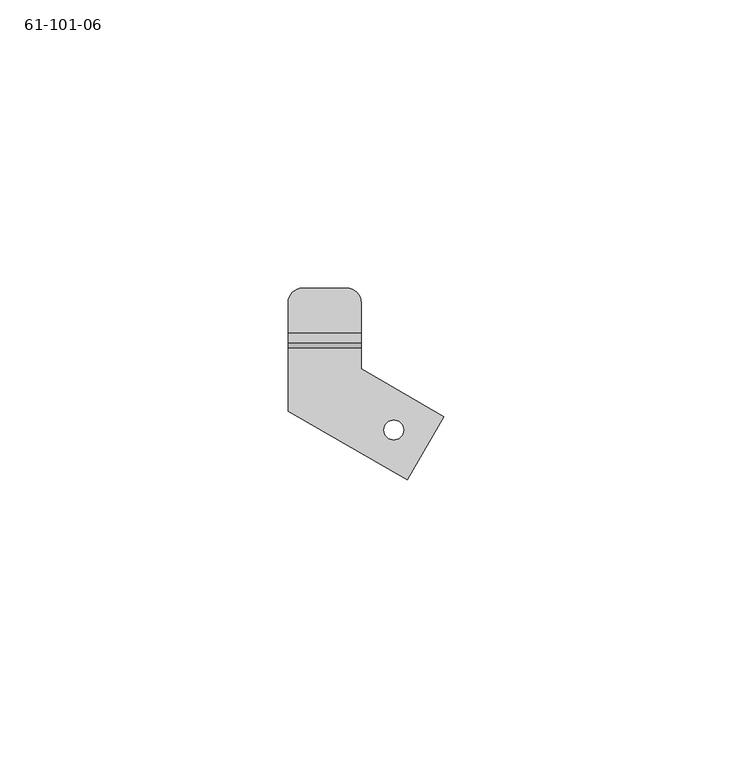
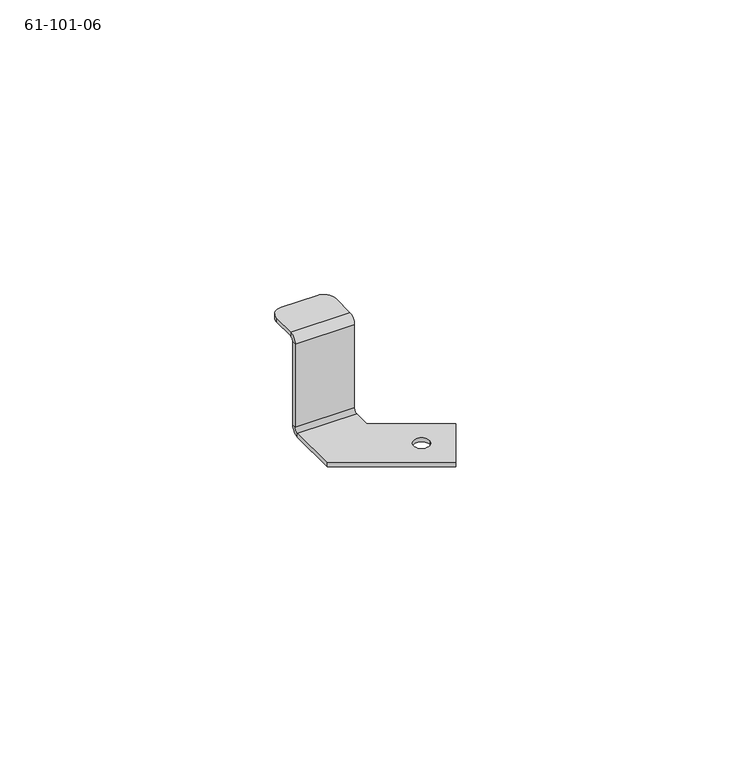
"""IFC4 building model written with IfcOpenShell, lengths in millimetres: proxy geometry, 61-101-06."""

from ifc_helpers import new_model, si_unit, frame, origin, place, context, project, spatial, polyline, circle_curve, source, transform, mapped, element, save
from ifc_brep_helpers import plane_surface, cylinder_surface, revolved_surface, advanced_brep


def proxy_61_101_06_47b19a59(model_context):
    return source(origin(), model_context, "Body", "AdvancedBrep", [
        advanced_brep(
        [(9.5181094, -13.4729062, -21.37156), (9.5181094, -13.4729062, -20.51812), (6.0891094, -13.4729062, -20.51812), (6.0891094, -13.4729062, -21.37156), (10.1278707, -22.1471675, -21.37156), (16.4778707, -11.1486449, -21.37156), (16.4778707, -11.1486449, -20.51812), (10.1278707, -22.1471675, -20.51812), (2.146589, -2.8744756, -21.37156), (2.146589, -2.8744756, -20.51812), (-10.553411, -10.206824, -21.37156), (-10.553411, -10.206824, -20.51812), (2.146589, 0.786296, -21.37156), (2.146589, 0.786296, -20.51812), (-0.393411, 11.164736, 0.85344), (2.146589, 8.624736, 0.85344), (2.146589, 8.624736, 0.0), (-0.393411, 11.164736, 0.0), (-8.013411, 11.164736, 0.0), (-8.013411, 11.164736, 0.85344), (2.146589, 3.346616, 0.0), (-10.553411, 3.346616, 0.0), (-10.553411, 8.624736, 0.0), (-10.553411, 8.624736, 0.85344), (-10.553411, 3.346616, 0.85344), (-10.553411, 0.786296, -20.51812), (2.146589, 1.639736, -19.66468), (-10.553411, 1.639736, -19.66468), (-10.553411, 0.786296, -21.37156), (2.146589, 2.493176, -19.66468), (-10.553411, 2.493176, -19.66468), (-10.553411, 1.639736, -0.85344), (-10.553411, 2.493176, -0.85344), (2.146589, 1.639736, -0.85344), (2.146589, 2.493176, -0.85344), (2.146589, 3.346616, 0.85344)],
        [
            (0, 1),
            (1, 2, circle_curve(frame((7.8036094, -13.4729062, -20.51812), z_axis=(0.0, 0.0, 1.0), x_axis=(1.0, 0.0, 0.0)), 1.7145)),
            (2, 3),
            (3, 0, circle_curve(frame((7.8036094, -13.4729062, -21.37156), z_axis=(0.0, 0.0, -1.0), x_axis=(1.0, 0.0, 0.0)), 1.7145)),
            (0, 3, circle_curve(frame((7.8036094, -13.4729062, -21.37156), z_axis=(0.0, 0.0, -1.0), x_axis=(1.0, 0.0, 0.0)), 1.7145)),
            (2, 1, circle_curve(frame((7.8036094, -13.4729062, -20.51812), z_axis=(0.0, 0.0, 1.0), x_axis=(1.0, 0.0, 0.0)), 1.7145)),
            (4, 5),
            (5, 6),
            (6, 7),
            (7, 4),
            (5, 8),
            (8, 9),
            (9, 6),
            (10, 4),
            (7, 11),
            (11, 10),
            (8, 12),
            (12, 13),
            (13, 9),
            (14, 15, circle_curve(frame((-0.393411, 8.624736, 0.85344), z_axis=(0.0, 0.0, -1.0), x_axis=(0.7071067811865476, 0.7071067811865476, 0.0)), 2.54)),
            (15, 16),
            (16, 17, circle_curve(frame((-0.393411, 8.624736, 0.0), z_axis=(0.0, 0.0, 1.0), x_axis=(0.7071067811865476, 0.7071067811865476, 0.0)), 2.54)),
            (17, 14),
            (17, 18),
            (18, 19),
            (19, 14),
            (16, 20),
            (20, 21),
            (21, 22),
            (22, 18, circle_curve(frame((-8.013411, 8.624736, 0.0), z_axis=(0.0, 0.0, -1.0), x_axis=(-0.7071067811865477, 0.7071067811865472, 0.0)), 2.54)),
            (23, 19, circle_curve(frame((-8.013411, 8.624736, 0.85344), z_axis=(0.0, 0.0, -1.0), x_axis=(-0.7071067811865477, 0.7071067811865472, 0.0)), 2.54)),
            (22, 23),
            (21, 24),
            (24, 23),
            (25, 13),
            (13, 26, circle_curve(frame((2.146589, 0.786296, -19.66468), z_axis=(1.0, 0.0, 0.0), x_axis=(0.0, 1.0, 0.0)), 0.85344)),
            (26, 27),
            (27, 25, circle_curve(frame((-10.553411, 0.786296, -19.66468), z_axis=(-1.0, 0.0, 0.0), x_axis=(0.0, 1.0, 0.0)), 0.85344)),
            (25, 28),
            (28, 10),
            (11, 25),
            (28, 12),
            (12, 29, circle_curve(frame((2.146589, 0.786296, -19.66468), z_axis=(1.0, 0.0, 0.0), x_axis=(0.0, 1.0, 0.0)), 1.70688)),
            (29, 26),
            (27, 30),
            (30, 28, circle_curve(frame((-10.553411, 0.786296, -19.66468), z_axis=(-1.0, 0.0, 0.0), x_axis=(0.0, 1.0, 0.0)), 1.70688)),
            (30, 29),
            (27, 31),
            (31, 32),
            (32, 30),
            (26, 33),
            (33, 31),
            (34, 32),
            (32, 21, circle_curve(frame((-10.553411, 3.346616, -0.85344), z_axis=(-1.0, 0.0, 0.0), x_axis=(0.0, 0.0, 1.0)), 0.85344)),
            (20, 34, circle_curve(frame((2.146589, 3.346616, -0.85344), z_axis=(1.0, 0.0, 0.0), x_axis=(0.0, 0.0, 1.0)), 0.85344)),
            (29, 34),
            (34, 33),
            (31, 24, circle_curve(frame((-10.553411, 3.346616, -0.85344), z_axis=(-1.0, 0.0, 0.0), x_axis=(0.0, 0.0, 1.0)), 1.70688)),
            (20, 35),
            (35, 33, circle_curve(frame((2.146589, 3.346616, -0.85344), z_axis=(1.0, 0.0, 0.0), x_axis=(0.0, 0.0, 1.0)), 1.70688)),
            (35, 24),
            (15, 35),
        ],
        [
            revolved_surface(polyline([(9.5181094, -13.4729062, -20.51812), (9.5181094, -13.4729062, -21.37156)]), (7.8036094, -13.4729062, -20.94484), (0.0, 0.0, 1.0)),
            plane_surface(frame((10.1278707, -22.1471675, -20.51812), z_axis=(0.8660254037844388, -0.4999999999999997, 0.0), x_axis=(0.0, 0.0, -1.0))),
            plane_surface(frame((16.4778707, -11.1486449, -20.51812), z_axis=(0.4999999999999996, 0.8660254037844389, 0.0), x_axis=(0.0, 0.0, 1.0))),
            plane_surface(frame((-10.553411, -10.206824, -20.51812), z_axis=(-0.4999999999999997, -0.8660254037844388, 0.0), x_axis=(0.0, 0.0, -1.0))),
            plane_surface(frame((2.146589, 0.786296, -21.37156), z_axis=(1.0, 0.0, 0.0), x_axis=(0.0, -1.0, 0.0))),
            cylinder_surface(frame((-0.393411, 8.624736, 0.0), z_axis=(0.0, 0.0, 1.0000000000000002), x_axis=(0.7071067811865476, 0.7071067811865476, 0.0)), 2.54),
            plane_surface(frame((-10.553411, 11.164736, 0.0), z_axis=(0.0, 1.0, 0.0), x_axis=(0.0, 0.0, 1.0))),
            plane_surface(frame((-4.203411, 6.402236, 0.0), z_axis=(0.0, 0.0, -1.0), x_axis=(1.0, 0.0, 0.0))),
            cylinder_surface(frame((-8.013411, 8.624736, 0.0), z_axis=(0.0, 0.0, 0.9999999999999998), x_axis=(-0.7071067811865477, 0.7071067811865472, 0.0)), 2.54),
            plane_surface(frame((-10.553411, 1.639736, 0.0), z_axis=(-1.0, 0.0, 0.0), x_axis=(0.0, 0.0, 1.0))),
            revolved_surface(polyline([(-10.553411, 1.639736, -19.66468), (2.1465889999999996, 1.639736, -19.66468)]), (-4.203411, 0.786296, -19.66468), (-1.0, 0.0, 0.0)),
            plane_surface(frame((-10.553411, 0.786296, -21.37156), z_axis=(-1.0, 0.0, 0.0), x_axis=(0.0, 1.0, 0.0))),
            plane_surface(frame((-4.203411, -3.7450461, -21.37156), z_axis=(0.0, 0.0, -1.0), x_axis=(0.0, 1.0, 0.0))),
            plane_surface(frame((2.146589, 0.786296, -21.37156), z_axis=(1.0, 0.0, 0.0), x_axis=(0.0, 0.0, -1.0))),
            plane_surface(frame((-10.553411, 0.786296, -20.51812), z_axis=(-1.0, 0.0, 0.0), x_axis=(0.0, 0.0, 1.0))),
            plane_surface(frame((-4.203411, -3.7450461, -20.51812), z_axis=(0.0, 0.0, 1.0), x_axis=(0.0, 1.0, 0.0))),
            cylinder_surface(frame((-4.203411, 0.786296, -19.66468), z_axis=(-1.0, 0.0, 0.0), x_axis=(0.0, 1.0, 0.0)), 1.70688),
            plane_surface(frame((-10.553411, 1.639736, -0.85344), z_axis=(-1.0, 0.0, 0.0), x_axis=(0.0, -1.0, 0.0))),
            plane_surface(frame((-4.203411, 1.639736, -10.1472821), z_axis=(0.0, -1.0, 0.0), x_axis=(1.0, 0.0, 0.0))),
            revolved_surface(polyline([(2.1465889999999996, 3.346616, 0.0), (-10.553411, 3.346616, 0.0)]), (-4.203411, 3.346616, -0.85344), (1.0, 0.0, 0.0)),
            plane_surface(frame((2.146589, 1.639736, -0.85344), z_axis=(1.0, 0.0, 0.0), x_axis=(0.0, 1.0, 0.0))),
            plane_surface(frame((-10.553411, 1.639736, -0.85344), z_axis=(-1.0, 0.0, 0.0), x_axis=(0.0, 0.0, 1.0))),
            plane_surface(frame((2.146589, 2.493176, -0.85344), z_axis=(1.0, 0.0, 0.0), x_axis=(0.0, 0.0, -1.0))),
            plane_surface(frame((-4.203411, 2.493176, -10.1472821), z_axis=(0.0, 1.0, 0.0), x_axis=(1.0, 0.0, 0.0))),
            cylinder_surface(frame((-4.203411, 3.346616, -0.85344), z_axis=(1.0, 0.0, 0.0), x_axis=(0.0, 0.0, 1.0)), 1.70688),
            plane_surface(frame((2.146589, 11.164736, 0.0), z_axis=(1.0, 0.0, 0.0), x_axis=(0.0, 0.0, -1.0))),
            plane_surface(frame((-4.203411, 6.402236, 0.85344), z_axis=(0.0, 0.0, 1.0), x_axis=(1.0, 0.0, 0.0))),
        ],
        [
            (0, [[1, 2, 3, 4]]),
            (0, [[-1, 5, -3, 6]]),
            (1, [[7, 8, 9, 10]]),
            (2, [[11, 12, 13, -8]]),
            (3, [[14, -10, 15, 16]]),
            (4, [[-12, 17, 18, 19]]),
            (5, [[20, 21, 22, 23]]),
            (6, [[-23, 24, 25, 26]]),
            (7, [[-22, 27, 28, 29, 30, -24]]),
            (8, [[31, -25, -30, 32]]),
            (9, [[-32, -29, 33, 34]]),
            (10, [[35, 36, 37, 38]]),
            (11, [[39, 40, -16, 41]]),
            (12, [[42, -17, -11, -7, -14, -40], [-4, -5]]),
            (13, [[-18, 43, 44, -36]]),
            (14, [[-39, -38, 45, 46]]),
            (15, [[-35, -41, -15, -9, -13, -19], [-6, -2]]),
            (16, [[-42, -46, 47, -43]]),
            (17, [[-45, 48, 49, 50]]),
            (18, [[-37, 51, 52, -48]]),
            (19, [[53, 54, -28, 55]]),
            (20, [[-44, 56, 57, -51]]),
            (21, [[-49, 58, -33, -54]]),
            (22, [[-57, -55, 59, 60]]),
            (23, [[-47, -50, -53, -56]]),
            (24, [[-52, -60, 61, -58]]),
            (25, [[-21, 62, -59, -27]]),
            (26, [[-20, -26, -31, -34, -61, -62]]),
        ],
    ),
    ])


if __name__ == "__main__":
    model = new_model("IFC4")
    model_context = context("Model", 3, world=origin())
    ifc_project = project(units=[si_unit("LENGTHUNIT", "METRE", prefix="MILLI")], contexts=[model_context])
    site = spatial("IfcSite", under=ifc_project)
    building = spatial("IfcBuilding", under=site)
    placement = place(None, origin())
    proxy_61_101_06_shape = proxy_61_101_06_47b19a59(model_context)
    element("IfcBuildingElementProxy", 1, Name="61-101-06", ObjectType="61-101-06", at=placement, inside=building, context=model_context, shape_type="MappedRepresentation", body=[
        mapped(proxy_61_101_06_shape, transform((0.0, 0.0, 0.0), x_axis=(1.0, 0.0, 0.0), y_axis=(0.0, 1.0, 0.0), z_axis=(0.0, 0.0, 1.0))),
    ])
    save(model, "model.ifc")
